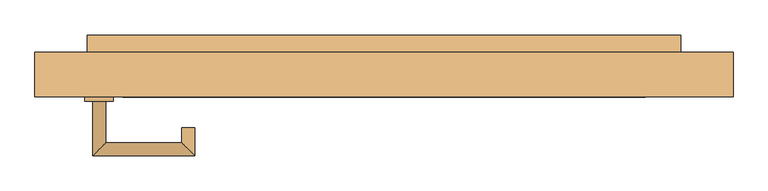
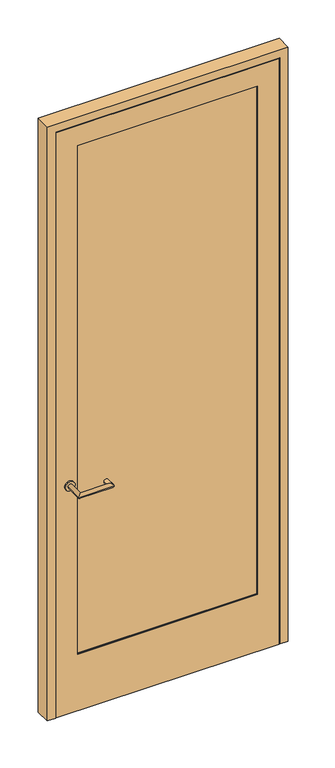
"""IFC4 building model written with IfcOpenShell, lengths in millimetres: door geometry."""

from ifc_helpers import new_model, si_unit, point, frame, frame_2d, origin, place, context, project, spatial, polyline, circle_curve, ellipse_curve, trimmed, segment, composite_curve, outline, extrude, faceted_brep, source, transform, mapped, element, save
from ifc_brep_helpers import plane_surface, cylinder_surface, advanced_brep


def door_e99ad496(model_context):
    return source(origin(), model_context, "Body", "SolidModel", [
        extrude(outline(polyline([(2617.7875, 471.4875), (2617.7875, -471.4875), (0.0, -471.4875), (0.0, 471.4875), (2617.7875, 471.4875)]), holes=[polyline([(254.0, 381.0), (254.0, -381.0), (2527.3, -381.0), (2527.3, 381.0), (254.0, 381.0)])]), frame((0.0, -19.05, 0.0), z_axis=(0.0, 1.0, 0.0), x_axis=(0.0, 0.0, 1.0)), (0.0, 0.0, 1.0), 2.4553029),
        faceted_brep([(450.85, 42.6733196, 2597.15), (450.85, 42.6733196, 0.0), (433.3875, 42.6733196, 0.0), (433.3875, 42.6733196, 2579.6875), (-433.3875, 42.6733196, 2579.6875), (-433.3875, 42.6733196, 0.0), (-450.85, 42.6733196, 0.0), (-450.85, 42.6733196, 2597.15), (450.85, -16.5946971, 2597.15), (-450.85, -16.5946971, 2597.15), (-450.85, -16.5946971, 0.0), (450.85, -16.5946971, 0.0), (381.0, -16.5946971, 2527.3), (381.0, -16.5946971, 254.0), (-381.0, -16.5946971, 254.0), (-381.0, -16.5946971, 2527.3), (-381.0, 46.0375, 254.0), (-381.0, 46.0375, 2527.3), (381.0, 46.0375, 2527.3), (381.0, 46.0375, 254.0), (-433.3875, 46.0375, 0.0), (433.3875, 46.0375, 0.0), (-433.3875, 46.0375, 2579.6875), (433.3875, 46.0375, 2579.6875)], [[[0, 1, 2, 3, 4, 5, 6, 7]], [[8, 9, 10, 11], [12, 13, 14, 15]], [[7, 9, 8, 0]], [[6, 10, 9, 7]], [[14, 16, 17, 15]], [[17, 18, 12, 15]], [[18, 19, 13, 12]], [[10, 6, 5, 20, 21, 2, 1, 11]], [[0, 8, 11, 1]], [[21, 20, 22, 23], [19, 18, 17, 16]], [[23, 3, 2, 21]], [[22, 4, 3, 23]], [[19, 16, 14, 13]], [[20, 5, 4, 22]]]),
        extrude(outline(polyline([(381.0, 23.8125), (381.0, -12.7), (-381.0, -12.7), (-381.0, 23.8125), (381.0, 23.8125)])), frame((0.0, 0.0, 254.0), z_axis=(0.0, 0.0, 1.0), x_axis=(1.0, 0.0, 0.0)), (0.0, 0.0, 1.0), 2273.3),
        advanced_brep(
        [(-406.4, -25.4, 1020.7625), (-425.45, -25.4, 1020.7625), (-406.4, -85.725, 1020.7625), (-425.45, -104.775, 1020.7625), (-295.275, -85.725, 1020.7625), (-276.225, -104.775, 1020.7625), (-295.275, -63.5, 1020.7625), (-276.225, -63.5, 1020.7625)],
        [
            (0, 1, circle_curve(frame((-415.925, -25.4, 1020.7625), z_axis=(0.0, 1.0, 0.0), x_axis=(-1.0000000000000004, 0.0, 0.0)), 9.525)),
            (1, 0, circle_curve(frame((-415.925, -25.4, 1020.7625), z_axis=(0.0, 1.0, 0.0), x_axis=(-1.0000000000000004, 0.0, 0.0)), 9.525)),
            (0, 2),
            (2, 3, ellipse_curve(frame((-415.925, -95.25, 1020.7625), z_axis=(-0.7071067811865588, 0.7071067811865362, 0.0), x_axis=(0.7071067811865362, 0.7071067811865588, 0.0)), 13.4703842, 9.525)),
            (3, 1),
            (3, 2, ellipse_curve(frame((-415.925, -95.25, 1020.7625), z_axis=(-0.7071067811865588, 0.7071067811865362, 0.0), x_axis=(0.7071067811865362, 0.7071067811865588, 0.0)), 13.4703842, 9.525)),
            (2, 4),
            (4, 5, ellipse_curve(frame((-285.75, -95.25, 1020.7625), z_axis=(-0.707106781186536, -0.707106781186559, 0.0), x_axis=(-0.707106781186559, 0.7071067811865359, 0.0)), 13.4703842, 9.525)),
            (5, 3),
            (5, 4, ellipse_curve(frame((-285.75, -95.25, 1020.7625), z_axis=(-0.707106781186536, -0.707106781186559, 0.0), x_axis=(-0.707106781186559, 0.7071067811865359, 0.0)), 13.4703842, 9.525)),
            (6, 7, circle_curve(frame((-285.75, -63.5, 1020.7625), z_axis=(0.0, 1.0, 0.0), x_axis=(1.0000000000000004, 0.0, 0.0)), 9.525)),
            (7, 6, circle_curve(frame((-285.75, -63.5, 1020.7625), z_axis=(0.0, 1.0, 0.0), x_axis=(1.0000000000000004, 0.0, 0.0)), 9.525)),
            (4, 6),
            (7, 5),
        ],
        [
            plane_surface(frame((-415.925, -25.4, 0.0), z_axis=(0.0, 1.0, 0.0), x_axis=(0.0, 0.0, 1.0))),
            cylinder_surface(frame((-415.925, -25.4, 1020.7625), z_axis=(0.0, 1.0000000000000004, 0.0), x_axis=(-1.0000000000000004, 0.0, 0.0)), 9.525),
            cylinder_surface(frame((-415.925, -95.25, 1020.7625), z_axis=(-1.0000000000000004, 0.0, 0.0), x_axis=(0.0, -1.0000000000000004, 0.0)), 9.525),
            plane_surface(frame((-285.75, -63.5, 0.0), z_axis=(0.0, 1.0, 0.0), x_axis=(0.0, 0.0, 1.0))),
            cylinder_surface(frame((-285.75, -95.25, 1020.7625), z_axis=(0.0, -1.0000000000000004, 0.0), x_axis=(1.0000000000000004, 0.0, 0.0)), 9.525),
        ],
        [
            (0, [[1, 2]]),
            (1, [[3, 4, 5, -1]]),
            (1, [[-5, 6, -3, -2]]),
            (2, [[7, 8, 9, -4]]),
            (2, [[-9, 10, -7, -6]]),
            (3, [[11, 12]]),
            (4, [[13, -12, 14, -8]]),
            (4, [[-14, -11, -13, -10]]),
        ],
    ),
        extrude(outline(polyline([(433.3875, 71.4375), (433.3875, 46.0375), (-433.3875, 46.0375), (-433.3875, 71.4375), (433.3875, 71.4375)])), frame((0.0, 0.0, 986.63125), z_axis=(0.0, 0.0, 1.0), x_axis=(1.0, 0.0, 0.0)), (0.0, 0.0, 1.0), 68.2625),
        extrude(outline(composite_curve([segment(trimmed(circle_curve(frame_2d((1020.7625, -415.925)), 20.6375), [point((1020.7625, -395.2875))], [point((1020.7625, -436.5625))], False, "CARTESIAN"), True, "CONTINUOUS"), segment(trimmed(circle_curve(frame_2d((1020.7625, -415.925)), 20.6375), [point((1020.7625, -436.5625))], [point((1020.7625, -395.2875))], False, "CARTESIAN"), True, "CONTINUOUS")], self_intersect=False)), frame((0.0, -25.4, 0.0), z_axis=(0.0, 1.0, 0.0), x_axis=(0.0, 0.0, 1.0)), (0.0, 0.0, 1.0), 6.35),
        faceted_brep([(509.5875, -19.05, 0.0), (474.6625, -19.05, 0.0), (474.6625, -12.7, 0.0), (460.375, -12.7, 0.0), (460.375, 42.8625, 0.0), (439.7375, 42.8625, 0.0), (439.7375, 46.0375, 0.0), (509.5875, 46.0375, 0.0), (509.5875, 46.0375, 2655.8875), (509.5875, -19.05, 2655.8875), (439.7375, 46.0375, 2586.0375), (-439.7375, 46.0375, 2586.0375), (-439.7375, 46.0375, 0.0), (-509.5875, 46.0375, 0.0), (-509.5875, 46.0375, 2655.8875), (439.7375, 42.8625, 2586.0375), (460.375, 42.8625, 2606.675), (-460.375, 42.8625, 2606.675), (-460.375, 42.8625, 0.0), (-439.7375, 42.8625, 0.0), (-439.7375, 42.8625, 2586.0375), (460.375, -12.7, 2606.675), (474.6625, -12.7, 2620.9625), (-474.6625, -12.7, 2620.9625), (-474.6625, -12.7, 0.0), (-460.375, -12.7, 0.0), (-460.375, -12.7, 2606.675), (474.6625, -19.05, 2620.9625), (-509.5875, -19.05, 2655.8875), (-509.5875, -19.05, 0.0), (-474.6625, -19.05, 0.0), (-474.6625, -19.05, 2620.9625)], [[[0, 1, 2, 3, 4, 5, 6, 7]], [[7, 8, 9, 0]], [[6, 10, 11, 12, 13, 14, 8, 7]], [[5, 15, 10, 6]], [[4, 16, 17, 18, 19, 20, 15, 5]], [[3, 21, 16, 4]], [[2, 22, 23, 24, 25, 26, 21, 3]], [[1, 27, 22, 2]], [[0, 9, 28, 29, 30, 31, 27, 1]], [[14, 13, 29, 28]], [[29, 13, 12, 19, 18, 25, 24, 30]], [[20, 19, 12, 11]], [[26, 25, 18, 17]], [[31, 30, 24, 23]], [[8, 14, 28, 9]], [[15, 20, 11, 10]], [[27, 31, 23, 22]], [[21, 26, 17, 16]]]),
    ])


if __name__ == "__main__":
    model = new_model("IFC4")
    model_context = context("Model", 3, world=origin())
    ifc_project = project(units=[si_unit("LENGTHUNIT", "METRE", prefix="MILLI")], contexts=[model_context])
    site = spatial("IfcSite", under=ifc_project)
    building = spatial("IfcBuilding", under=site)
    placement = place(None, origin())
    door_shape = door_e99ad496(model_context)
    element("IfcDoor", 1, at=placement, inside=building, context=model_context, shape_type="MappedRepresentation", body=[
        mapped(door_shape, transform((0.0, 0.0, 0.0), x_axis=(1.0, 0.0, 0.0), y_axis=(0.0, 1.0, 0.0), z_axis=(0.0, 0.0, 1.0))),
    ])
    save(model, "model.ifc")
